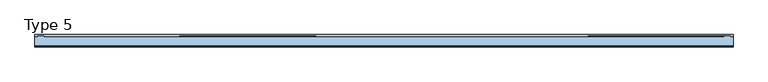
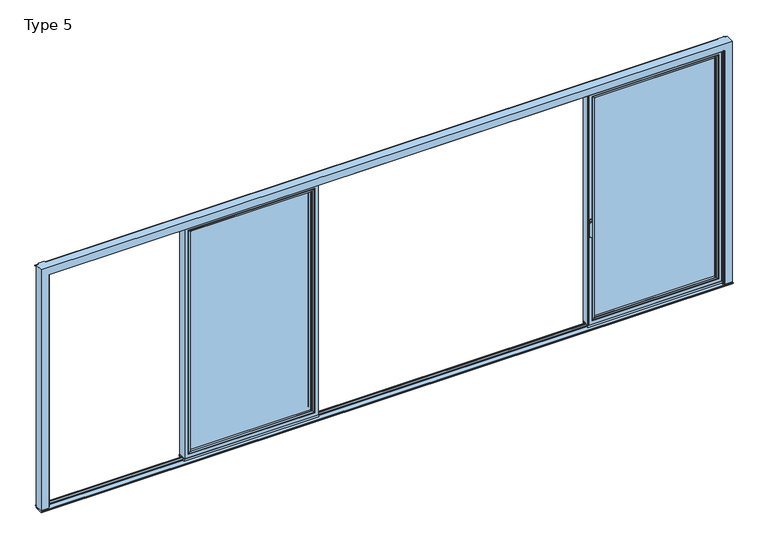
"""IFC4 building model written with IfcOpenShell, lengths in millimetres: window geometry, Type 5."""

from ifc_helpers import new_model, si_unit, point, frame, frame_2d, origin, place, context, project, spatial, polyline, circle_curve, ellipse_curve, trimmed, segment, composite_curve, outline, extrude, source, transform, mapped, element, save
from ifc_brep_helpers import plane_surface, cylinder_surface, extruded_surface, advanced_brep


def type_5_c3f61041(model_context):
    return source(origin(), model_context, "Body", "SolidModel", [
        advanced_brep(
        [(-637.1999604, -60.0, 2324.0), (-637.1999604, -60.0, 37.5), (-637.1999604, 20.0, 37.5), (-637.1999604, 20.0, 2324.0), (-1887.5999604, -60.0, 37.5), (-1887.5999604, 20.0, 37.5), (-1887.5999604, 20.0, 2324.0), (-1842.1003311, 20.0, 82.9996293), (-682.6995897, 20.0, 82.9996293), (-682.6995897, 20.0, 2278.5003707), (-1842.1003311, 20.0, 2278.5003707), (-1887.5999604, -60.0, 2324.0), (-669.1999604, -60.0, 69.5), (-1855.5999604, -60.0, 69.5), (-1855.5999604, -60.0, 2292.0), (-669.1999604, -60.0, 2292.0), (-669.1999604, 3.9999997, 2292.0), (-669.1999604, 3.9999997, 69.5), (-1855.5999604, 3.9999997, 69.5), (-1855.5999604, 3.9999997, 2292.0), (-687.1999723, 3.9999997, 87.500012), (-1837.5999484, 3.9999997, 87.500012), (-1837.5999484, 3.9999997, 2273.999988), (-687.1999723, 3.9999997, 2273.999988), (-687.1999723, 15.4995565, 2273.999988), (-687.1999723, 15.4995565, 87.500012), (-1837.5999484, 15.4995565, 87.500012), (-1837.5999484, 15.4995565, 2273.999988)],
        [
            (0, 1),
            (1, 2),
            (2, 3),
            (3, 0),
            (1, 4),
            (4, 5),
            (5, 2),
            (5, 6),
            (6, 3),
            (7, 8),
            (8, 9),
            (9, 10),
            (10, 7),
            (4, 11),
            (11, 6),
            (0, 11),
            (12, 13),
            (13, 14),
            (14, 15),
            (15, 12),
            (16, 17),
            (17, 12),
            (15, 16),
            (17, 18),
            (18, 13),
            (18, 19),
            (19, 14),
            (16, 19),
            (20, 21),
            (21, 22),
            (22, 23),
            (23, 20),
            (24, 25),
            (25, 20),
            (23, 24),
            (25, 26),
            (26, 21),
            (26, 27),
            (27, 22),
            (7, 26, ellipse_curve(frame((-1842.1003311, 15.4995565, 82.9996293), z_axis=(0.7071067811865475, 0.0, -0.7071067811865475), x_axis=(0.7071067811865476, 0.0, 0.7071067811865474)), 6.3645023, 4.5003827)),
            (25, 8, ellipse_curve(frame((-682.6995897, 15.4995565, 82.9996293), z_axis=(-0.7071067811865475, 0.0, -0.7071067811865475), x_axis=(0.7071067811865476, 0.0, -0.7071067811865474)), 6.3645023, 4.5003827)),
            (24, 9, ellipse_curve(frame((-682.6995897, 15.4995565, 2278.5003707), z_axis=(0.7071067811865475, 0.0, -0.7071067811865475), x_axis=(0.7071067811865474, 0.0, 0.7071067811865476)), 6.3645023, 4.5003827)),
            (10, 27, ellipse_curve(frame((-1842.1003311, 15.4995565, 2278.5003707), z_axis=(-0.7071067811865475, 0.0, -0.7071067811865475), x_axis=(0.7071067811865474, 0.0, -0.7071067811865476)), 6.3645023, 4.5003827)),
            (27, 24),
        ],
        [
            plane_surface(frame((-637.1999604, 20.0, 2324.0), z_axis=(1.0, 0.0, 0.0), x_axis=(0.0, 0.0, -1.0))),
            plane_surface(frame((-637.1999604, 20.0, 37.5), z_axis=(0.0, 0.0, -1.0), x_axis=(-1.0, 0.0, 0.0))),
            plane_surface(frame((-682.6995897, 20.0, 2278.5003707), z_axis=(0.0, 1.0, 0.0), x_axis=(0.0, 0.0, -1.0))),
            plane_surface(frame((-1887.5999604, 20.0, 37.5), z_axis=(-1.0, 0.0, 0.0), x_axis=(0.0, 0.0, 1.0))),
            plane_surface(frame((-637.1999604, -60.0, 2324.0), z_axis=(0.0, -1.0, 0.0), x_axis=(0.0, 0.0, -1.0))),
            plane_surface(frame((-669.1999604, -60.0, 2292.0), z_axis=(-1.0, 0.0, 0.0), x_axis=(0.0, 0.0, -1.0))),
            plane_surface(frame((-669.1999604, -60.0, 69.5), z_axis=(0.0, 0.0, 1.0), x_axis=(-1.0, 0.0, 0.0))),
            plane_surface(frame((-1855.5999604, -60.0, 69.5), z_axis=(1.0, 0.0, 0.0), x_axis=(0.0, 0.0, 1.0))),
            plane_surface(frame((-669.1999604, 3.9999997, 2292.0), z_axis=(0.0, -1.0, 0.0), x_axis=(0.0, 0.0, -1.0))),
            plane_surface(frame((-687.1999723, 3.9999997, 2273.999988), z_axis=(-1.0, 0.0, 0.0), x_axis=(0.0, 0.0, -1.0))),
            plane_surface(frame((-687.1999723, 3.9999997, 87.500012), z_axis=(0.0, 0.0, 1.0), x_axis=(-1.0, 0.0, 0.0))),
            plane_surface(frame((-1837.5999484, 3.9999997, 87.500012), z_axis=(1.0, 0.0, 0.0), x_axis=(0.0, 0.0, 1.0))),
            cylinder_surface(frame((-631.1999604, 15.4995565, 82.9996293), z_axis=(1.0, 0.0, 0.0), x_axis=(0.0, -1.0, 0.0)), 4.5003827),
            cylinder_surface(frame((-682.6995897, 15.4995565, 2330.0), z_axis=(0.0, 0.0, 1.0), x_axis=(0.0, -1.0, 0.0)), 4.5003827),
            cylinder_surface(frame((-1842.1003311, 15.4995565, 31.5), z_axis=(0.0, 0.0, -1.0), x_axis=(0.0, -1.0, 0.0)), 4.5003827),
            plane_surface(frame((-1887.5999604, 20.0, 2324.0), z_axis=(0.0, 0.0, 1.0), x_axis=(1.0, 0.0, 0.0))),
            plane_surface(frame((-1855.5999604, -60.0, 2292.0), z_axis=(0.0, 0.0, -1.0), x_axis=(1.0, 0.0, 0.0))),
            plane_surface(frame((-1837.5999484, 3.9999997, 2273.999988), z_axis=(0.0, 0.0, -1.0), x_axis=(1.0, 0.0, 0.0))),
            cylinder_surface(frame((-1893.5999604, 15.4995565, 2278.5003707), z_axis=(-1.0, 0.0, 0.0), x_axis=(0.0, -1.0, 0.0)), 4.5003827),
        ],
        [
            (0, [[1, 2, 3, 4]]),
            (1, [[5, 6, 7, -2]]),
            (2, [[-7, 8, 9, -3], [10, 11, 12, 13]]),
            (3, [[14, 15, -8, -6]]),
            (4, [[-5, -1, 16, -14], [17, 18, 19, 20]]),
            (5, [[21, 22, -20, 23]]),
            (6, [[24, 25, -17, -22]]),
            (7, [[26, 27, -18, -25]]),
            (8, [[-24, -21, 28, -26], [29, 30, 31, 32]]),
            (9, [[33, 34, -32, 35]]),
            (10, [[36, 37, -29, -34]]),
            (11, [[38, 39, -30, -37]]),
            (12, [[-10, 40, -36, 41]]),
            (13, [[-11, -41, -33, 42]]),
            (14, [[-13, 43, -38, -40]]),
            (15, [[-16, -4, -9, -15]]),
            (16, [[-28, -23, -19, -27]]),
            (17, [[44, -35, -31, -39]]),
            (18, [[-12, -42, -44, -43]]),
        ],
    ),
        extrude(outline(polyline([(-669.2002775, 3.9999997), (-669.2002775, -34.0000003), (-1855.5996432, -34.0000003), (-1855.5996432, 3.9999997), (-669.2002775, 3.9999997)])), frame((0.0, 0.0, 69.5003172), z_axis=(0.0, 0.0, 1.0), x_axis=(1.0, 0.0, 0.0)), (0.0, 0.0, 1.0), 2222.4993657),
        advanced_brep(
        [(-1833.6000705, -54.5552044, 2270.0001101), (-1833.6000705, -54.5552044, 91.4998899), (-1833.6000705, -34.0000003, 91.4998899), (-1833.6000705, -34.0000003, 2270.0001101), (-1855.5996432, -34.0000003, 2291.9996828), (-669.2002775, -34.0000003, 2291.9996828), (-669.2002775, -34.0000003, 69.5003172), (-1855.5996432, -34.0000003, 69.5003172), (-691.1998503, -34.0000003, 2270.0001101), (-691.1998503, -34.0000003, 91.4998899), (-691.1998503, -54.5552044, 91.4998899), (-1834.3096139, -55.8045072, 2270.7096535), (-1834.3096139, -55.8045072, 90.7903465), (-690.4903069, -55.8045072, 90.7903465), (-1849.5997043, -60.0, 2285.9997439), (-1849.5997043, -60.0, 75.5002561), (-675.2002165, -60.0, 75.5002561), (-669.2002775, -60.0, 2291.9996828), (-1855.5996432, -60.0, 2291.9996828), (-1855.5996432, -60.0, 69.5003172), (-669.2002775, -60.0, 69.5003172), (-675.2002165, -60.0, 2285.9997439), (-691.1998503, -54.5552044, 2270.0001101), (-690.4903069, -55.8045072, 2270.7096535)],
        [
            (0, 1),
            (1, 2),
            (2, 3),
            (3, 0),
            (4, 5),
            (5, 6),
            (6, 7),
            (7, 4),
            (8, 3),
            (2, 9),
            (9, 8),
            (1, 10),
            (10, 9),
            (11, 12),
            (12, 1, ellipse_curve(frame((-1835.0546745, -54.5552044, 90.0452859), z_axis=(-0.7071067811865475, 0.0, 0.7071067811865475), x_axis=(0.7071067811865474, 0.0, 0.7071067811865476)), 2.0571207, 1.454604)),
            (0, 11, ellipse_curve(frame((-1835.0546745, -54.5552044, 2271.4547141), z_axis=(-0.7071067811865475, 0.0, -0.7071067811865475), x_axis=(-0.7071067811865474, 0.0, 0.7071067811865476)), 2.0571207, 1.454604)),
            (12, 13),
            (13, 10, ellipse_curve(frame((-689.7452463, -54.5552044, 90.0452859), z_axis=(-0.7071067811865475, 0.0, -0.7071067811865475), x_axis=(-0.7071067811865476, 0.0, 0.7071067811865474)), 2.0571207, 1.454604)),
            (14, 15),
            (15, 12, ellipse_curve(frame((-1849.5357687, -30.2735922, 75.5641917), z_axis=(-0.7071067811865475, 0.0, 0.7071067811865475), x_axis=(0.7071067811865474, 0.0, 0.7071067811865476)), 42.0395863, 29.7264765)),
            (11, 14, ellipse_curve(frame((-1849.5357687, -30.2735922, 2285.9358083), z_axis=(-0.7071067811865475, 0.0, -0.7071067811865475), x_axis=(-0.7071067811865474, 0.0, 0.7071067811865476)), 42.0395863, 29.7264765)),
            (15, 16),
            (16, 13, ellipse_curve(frame((-675.2641521, -30.2735922, 75.5641917), z_axis=(-0.7071067811865475, 0.0, -0.7071067811865475), x_axis=(-0.7071067811865476, 0.0, 0.7071067811865474)), 42.0395863, 29.7264765)),
            (17, 18),
            (18, 19),
            (19, 20),
            (20, 17),
            (14, 21),
            (21, 16),
            (7, 19),
            (18, 4),
            (6, 20),
            (10, 22),
            (22, 8),
            (13, 23),
            (23, 22, ellipse_curve(frame((-689.7452463, -54.5552044, 2271.4547141), z_axis=(0.7071067811865475, 0.0, -0.7071067811865475), x_axis=(-0.7071067811865474, 0.0, -0.7071067811865476)), 2.0571207, 1.454604)),
            (21, 23, ellipse_curve(frame((-675.2641521, -30.2735922, 2285.9358083), z_axis=(0.7071067811865475, 0.0, -0.7071067811865475), x_axis=(-0.7071067811865474, 0.0, -0.7071067811865476)), 42.0395863, 29.7264765)),
            (5, 17),
            (22, 0),
            (23, 11),
        ],
        [
            plane_surface(frame((-1833.6000705, -34.0000003, 2270.0001101), z_axis=(1.0, 0.0, 0.0), x_axis=(0.0, 0.0, -1.0))),
            plane_surface(frame((-669.2002775, -34.0000003, 69.5003172), z_axis=(0.0, 1.0, 0.0), x_axis=(0.0, 0.0, 1.0))),
            plane_surface(frame((-1833.6000705, -34.0000003, 91.4998899), z_axis=(0.0, 0.0, 1.0), x_axis=(1.0, 0.0, 0.0))),
            cylinder_surface(frame((-1835.0546745, -54.5552044, 2273.999988), z_axis=(0.0, 0.0, 1.0), x_axis=(-1.0, 0.0, 0.0)), 1.454604),
            cylinder_surface(frame((-1837.5999484, -54.5552044, 90.0452859), z_axis=(-1.0, 0.0, 0.0), x_axis=(0.0, 0.0, -1.0)), 1.454604),
            cylinder_surface(frame((-1849.5357687, -30.2735922, 2273.999988), z_axis=(0.0, 0.0, 1.0), x_axis=(-1.0, 0.0, 0.0)), 29.7264765),
            cylinder_surface(frame((-1837.5999484, -30.2735922, 75.5641917), z_axis=(-1.0, 0.0, 0.0), x_axis=(0.0, 0.0, -1.0)), 29.7264765),
            plane_surface(frame((-675.2002165, -60.0, 75.5002561), z_axis=(0.0, -1.0, 0.0), x_axis=(0.0, 0.0, 1.0))),
            plane_surface(frame((-1855.5996432, -60.0, 2291.9996828), z_axis=(-1.0, 0.0, 0.0), x_axis=(0.0, 0.0, -1.0))),
            plane_surface(frame((-1855.5996432, -60.0, 69.5003172), z_axis=(0.0, 0.0, -1.0), x_axis=(1.0, 0.0, 0.0))),
            plane_surface(frame((-691.1998503, -34.0000003, 91.4998899), z_axis=(-1.0, 0.0, 0.0), x_axis=(0.0, 0.0, 1.0))),
            cylinder_surface(frame((-689.7452463, -54.5552044, 87.500012), z_axis=(0.0, 0.0, -1.0), x_axis=(1.0, 0.0, 0.0)), 1.454604),
            cylinder_surface(frame((-675.2641521, -30.2735922, 87.500012), z_axis=(0.0, 0.0, -1.0), x_axis=(1.0, 0.0, 0.0)), 29.7264765),
            plane_surface(frame((-669.2002775, -60.0, 69.5003172), z_axis=(1.0, 0.0, 0.0), x_axis=(0.0, 0.0, 1.0))),
            plane_surface(frame((-691.1998503, -34.0000003, 2270.0001101), z_axis=(0.0, 0.0, -1.0), x_axis=(-1.0, 0.0, 0.0))),
            cylinder_surface(frame((-687.1999723, -54.5552044, 2271.4547141), z_axis=(1.0, 0.0, 0.0), x_axis=(0.0, 0.0, 1.0)), 1.454604),
            cylinder_surface(frame((-687.1999723, -30.2735922, 2285.9358083), z_axis=(1.0, 0.0, 0.0), x_axis=(0.0, 0.0, 1.0)), 29.7264765),
            plane_surface(frame((-669.2002775, -60.0, 2291.9996828), z_axis=(0.0, 0.0, 1.0), x_axis=(-1.0, 0.0, 0.0))),
        ],
        [
            (0, [[1, 2, 3, 4]]),
            (1, [[5, 6, 7, 8], [9, -3, 10, 11]]),
            (2, [[12, 13, -10, -2]]),
            (3, [[14, 15, -1, 16]]),
            (4, [[17, 18, -12, -15]]),
            (5, [[19, 20, -14, 21]]),
            (6, [[22, 23, -17, -20]]),
            (7, [[24, 25, 26, 27], [28, 29, -22, -19]]),
            (8, [[-8, 30, -25, 31]]),
            (9, [[-7, 32, -26, -30]]),
            (10, [[33, 34, -11, -13]]),
            (11, [[35, 36, -33, -18]]),
            (12, [[-29, 37, -35, -23]]),
            (13, [[-6, 38, -27, -32]]),
            (14, [[39, -4, -9, -34]]),
            (15, [[40, -16, -39, -36]]),
            (16, [[-28, -21, -40, -37]]),
            (17, [[-5, -31, -24, -38]]),
        ],
    ),
        extrude(outline(composite_curve([segment(polyline([(20.0, 2362.5), (20.0, 2324.0), (10.0, 2324.0), (10.0, 2365.0), (17.5, 2365.0)]), True, "CONTINUOUS"), segment(trimmed(circle_curve(frame_2d((17.5, 2362.5)), 2.5), [point((17.5, 2365.0))], [point((20.0, 2362.5))], False, "CARTESIAN"), True, "CONTINUOUS")], self_intersect=False)), frame((-1893.5999604, 0.0, 0.0), z_axis=(1.0, 0.0, 0.0), x_axis=(0.0, 1.0, 0.0)), (0.0, 0.0, 1.0), 1262.4),
        extrude(outline(polyline([(-1893.5999604, 20.0), (-631.1999604, 20.0), (-631.1999604, 10.0), (-1893.5999604, 10.0), (-1893.5999604, 20.0)])), frame((0.0, 0.0, 15.5), z_axis=(0.0, 0.0, 1.0), x_axis=(1.0, 0.0, 0.0)), (0.0, 0.0, 1.0), 22.0),
        extrude(outline(polyline([(-1893.5999604, -50.0), (-631.1999604, -50.0), (-631.1999604, -60.0), (-1893.5999604, -60.0), (-1893.5999604, -50.0)])), frame((0.0, 0.0, 15.5), z_axis=(0.0, 0.0, 1.0), x_axis=(1.0, 0.0, 0.0)), (0.0, 0.0, 1.0), 22.0),
        advanced_brep(
        [(1927.5886308, -63.5, 1050.0), (1903.6113692, -63.5, 1050.0), (1927.5886308, -66.8965533, 1050.0), (1903.6113692, -66.8965533, 1050.0), (1927.5886308, -74.5, 1050.0), (1903.6113692, -74.5, 1050.0), (1903.6113692, -74.5, 918.6867153), (1927.5886308, -74.5, 918.6867153), (1927.5886308, -66.8965533, 918.6867153), (1903.6113692, -66.8965533, 918.6867153)],
        [
            (0, 1, circle_curve(frame((1915.6, -63.5, 1050.0), z_axis=(0.0, 1.0, 0.0), x_axis=(-1.0, 0.0, 0.0)), 11.9886308)),
            (1, 0, circle_curve(frame((1915.6, -63.5, 1050.0), z_axis=(0.0, 1.0, 0.0), x_axis=(-1.0, 0.0, 0.0)), 11.9886308)),
            (0, 2),
            (2, 3, circle_curve(frame((1915.6, -66.8965533, 1050.0), z_axis=(0.0, 1.0, 0.0), x_axis=(-1.0, 0.0, 0.0)), 11.9886308)),
            (3, 1),
            (3, 2, circle_curve(frame((1915.6, -66.8965533, 1050.0), z_axis=(0.0, 1.0, 0.0), x_axis=(-1.0, 0.0, 0.0)), 11.9886308)),
            (4, 5, circle_curve(frame((1915.6, -74.5, 1050.0), z_axis=(0.0, -1.0, 0.0), x_axis=(-1.0, 0.0, 0.0)), 11.9886308)),
            (5, 6),
            (6, 7, ellipse_curve(frame((1915.6, -74.5, 918.6867153), z_axis=(0.0, -1.0, 0.0), x_axis=(1.0, 0.0, 0.0)), 11.9886308, 7.9050795)),
            (7, 4),
            (2, 8),
            (8, 9, ellipse_curve(frame((1915.6, -66.8965533, 918.6867153), z_axis=(0.0, 1.0, 0.0), x_axis=(1.0, 0.0, 0.0)), 11.9886308, 7.9050795)),
            (9, 3),
            (7, 8),
            (2, 4),
            (6, 9),
            (5, 3),
        ],
        [
            plane_surface(frame((1903.6113692, -63.5, 1050.0), z_axis=(0.0, 1.0, 0.0), x_axis=(0.0, 0.0, -1.0))),
            cylinder_surface(frame((1915.6, -63.5, 1050.0), z_axis=(0.0, -1.0, 0.0), x_axis=(-1.0, 0.0, 0.0)), 11.9886308),
            plane_surface(frame((1927.5886308, -74.5, 928.3382074), z_axis=(0.0, -1.0, 0.0), x_axis=(0.0, 0.0, -1.0))),
            plane_surface(frame((1927.5886308, -66.8965533, 928.3382074), z_axis=(0.0, 1.0, 0.0), x_axis=(0.0, 0.0, 1.0))),
            plane_surface(frame((1927.5886308, -74.5, 1050.0), z_axis=(1.0, 0.0, 0.0), x_axis=(0.0, 1.0, 0.0))),
            extruded_surface(trimmed(ellipse_curve(frame((1915.6, -66.8965533, 918.6867153), z_axis=(0.0, 1.0, 0.0), x_axis=(1.0, 0.0, 0.0)), 11.9886308, 7.9050795), [point((1927.5886308, -66.8965533, 918.6867153))], [point((1903.6113692, -66.8965533, 918.6867153))], True, "CARTESIAN"), (0.0, 7.603446699999992, 0.0), 7.603446699999992),
            plane_surface(frame((1903.6113692, -74.5, 918.6867153), z_axis=(-1.0, 0.0, 0.0), x_axis=(0.0, 1.0, 0.0))),
            cylinder_surface(frame((1915.6, -66.8965533, 1050.0), z_axis=(0.0, -1.0, 0.0), x_axis=(-1.0, 0.0, 0.0)), 11.9886308),
        ],
        [
            (0, [[1, 2]]),
            (1, [[3, 4, 5, -1]]),
            (1, [[-5, 6, -3, -2]]),
            (2, [[7, 8, 9, 10]]),
            (3, [[-4, 11, 12, 13]]),
            (4, [[14, -11, 15, -10]]),
            (5, [[16, -12, -14, -9]]),
            (6, [[17, -13, -16, -8]]),
            (7, [[-15, -6, -17, -7]]),
        ],
    ),
        extrude(outline(composite_curve([segment(trimmed(circle_curve(frame_2d((1068.75, 1915.6)), 14.0), [point((1068.75, 1929.6))], [point((1068.75, 1901.6))], False, "CARTESIAN"), True, "CONTINUOUS"), segment(polyline([(1068.75, 1901.6), (1031.25, 1901.6)]), True, "CONTINUOUS"), segment(trimmed(circle_curve(frame_2d((1031.25, 1915.6)), 14.0), [point((1031.25, 1901.6))], [point((1031.25, 1929.6))], False, "CARTESIAN"), True, "CONTINUOUS"), segment(polyline([(1031.25, 1929.6), (1068.75, 1929.6)]), True, "CONTINUOUS")], self_intersect=False)), frame((0.0, -63.5, 0.0), z_axis=(0.0, 1.0, 0.0), x_axis=(0.0, 0.0, 1.0)), (0.0, 0.0, 1.0), 3.5),
        extrude(outline(polyline([(3156.0, 20.0), (3156.0, -60.0), (3150.0, -60.0), (3150.0, 20.0), (3156.0, 20.0)])), frame((0.0, 0.0, 37.5), z_axis=(0.0, 0.0, 1.0), x_axis=(1.0, 0.0, 0.0)), (0.0, 0.0, 1.0), 2286.5),
        extrude(outline(polyline([(1893.6, 20.0), (1899.6, 20.0), (1899.6, -60.0), (1893.6, -60.0), (1893.6, 20.0)])), frame((0.0, 0.0, 37.5), z_axis=(0.0, 0.0, 1.0), x_axis=(1.0, 0.0, 0.0)), (0.0, 0.0, 1.0), 2286.5),
        advanced_brep(
        [(3150.0, -60.0, 2324.0), (3150.0, -60.0, 37.5), (3150.0, 20.0, 37.5), (3150.0, 20.0, 2324.0), (1899.6, -60.0, 37.5), (1899.6, 20.0, 37.5), (1899.6, 20.0, 2324.0), (1945.0996293, 20.0, 82.9996293), (3104.5003707, 20.0, 82.9996293), (3104.5003707, 20.0, 2278.5003707), (1945.0996293, 20.0, 2278.5003707), (1899.6, -60.0, 2324.0), (3118.0, -60.0, 69.5), (1931.6, -60.0, 69.5), (1931.6, -60.0, 2292.0), (3118.0, -60.0, 2292.0), (3118.0, 3.9999997, 2292.0), (3118.0, 3.9999997, 69.5), (1931.6, 3.9999997, 69.5), (1931.6, 3.9999997, 2292.0), (3099.999988, 3.9999997, 87.500012), (1949.600012, 3.9999997, 87.500012), (1949.600012, 3.9999997, 2273.999988), (3099.999988, 3.9999997, 2273.999988), (3099.999988, 15.4995565, 2273.999988), (3099.999988, 15.4995565, 87.500012), (1949.600012, 15.4995565, 87.500012), (1949.600012, 15.4995565, 2273.999988)],
        [
            (0, 1),
            (1, 2),
            (2, 3),
            (3, 0),
            (1, 4),
            (4, 5),
            (5, 2),
            (5, 6),
            (6, 3),
            (7, 8),
            (8, 9),
            (9, 10),
            (10, 7),
            (4, 11),
            (11, 6),
            (0, 11),
            (12, 13),
            (13, 14),
            (14, 15),
            (15, 12),
            (16, 17),
            (17, 12),
            (15, 16),
            (17, 18),
            (18, 13),
            (18, 19),
            (19, 14),
            (16, 19),
            (20, 21),
            (21, 22),
            (22, 23),
            (23, 20),
            (24, 25),
            (25, 20),
            (23, 24),
            (25, 26),
            (26, 21),
            (26, 27),
            (27, 22),
            (7, 26, ellipse_curve(frame((1945.0996293, 15.4995565, 82.9996293), z_axis=(0.7071067811865475, 0.0, -0.7071067811865475), x_axis=(0.7071067811865476, 0.0, 0.7071067811865474)), 6.3645023, 4.5003827)),
            (25, 8, ellipse_curve(frame((3104.5003707, 15.4995565, 82.9996293), z_axis=(-0.7071067811865475, 0.0, -0.7071067811865475), x_axis=(0.7071067811865476, 0.0, -0.7071067811865474)), 6.3645023, 4.5003827)),
            (24, 9, ellipse_curve(frame((3104.5003707, 15.4995565, 2278.5003707), z_axis=(0.7071067811865475, 0.0, -0.7071067811865475), x_axis=(0.7071067811865474, 0.0, 0.7071067811865476)), 6.3645023, 4.5003827)),
            (10, 27, ellipse_curve(frame((1945.0996293, 15.4995565, 2278.5003707), z_axis=(-0.7071067811865475, 0.0, -0.7071067811865475), x_axis=(0.7071067811865474, 0.0, -0.7071067811865476)), 6.3645023, 4.5003827)),
            (27, 24),
        ],
        [
            plane_surface(frame((3150.0, 20.0, 2324.0), z_axis=(1.0, 0.0, 0.0), x_axis=(0.0, 0.0, -1.0))),
            plane_surface(frame((3150.0, 20.0, 37.5), z_axis=(0.0, 0.0, -1.0), x_axis=(-1.0, 0.0, 0.0))),
            plane_surface(frame((3104.5003707, 20.0, 2278.5003707), z_axis=(0.0, 1.0, 0.0), x_axis=(0.0, 0.0, -1.0))),
            plane_surface(frame((1899.6, 20.0, 37.5), z_axis=(-1.0, 0.0, 0.0), x_axis=(0.0, 0.0, 1.0))),
            plane_surface(frame((3150.0, -60.0, 2324.0), z_axis=(0.0, -1.0, 0.0), x_axis=(0.0, 0.0, -1.0))),
            plane_surface(frame((3118.0, -60.0, 2292.0), z_axis=(-1.0, 0.0, 0.0), x_axis=(0.0, 0.0, -1.0))),
            plane_surface(frame((3118.0, -60.0, 69.5), z_axis=(0.0, 0.0, 1.0), x_axis=(-1.0, 0.0, 0.0))),
            plane_surface(frame((1931.6, -60.0, 69.5), z_axis=(1.0, 0.0, 0.0), x_axis=(0.0, 0.0, 1.0))),
            plane_surface(frame((3118.0, 3.9999997, 2292.0), z_axis=(0.0, -1.0, 0.0), x_axis=(0.0, 0.0, -1.0))),
            plane_surface(frame((3099.999988, 3.9999997, 2273.999988), z_axis=(-1.0, 0.0, 0.0), x_axis=(0.0, 0.0, -1.0))),
            plane_surface(frame((3099.999988, 3.9999997, 87.500012), z_axis=(0.0, 0.0, 1.0), x_axis=(-1.0, 0.0, 0.0))),
            plane_surface(frame((1949.600012, 3.9999997, 87.500012), z_axis=(1.0, 0.0, 0.0), x_axis=(0.0, 0.0, 1.0))),
            cylinder_surface(frame((3156.0, 15.4995565, 82.9996293), z_axis=(1.0, 0.0, 0.0), x_axis=(0.0, -1.0, 0.0)), 4.5003827),
            cylinder_surface(frame((3104.5003707, 15.4995565, 2330.0), z_axis=(0.0, 0.0, 1.0), x_axis=(0.0, -1.0, 0.0)), 4.5003827),
            cylinder_surface(frame((1945.0996293, 15.4995565, 31.5), z_axis=(0.0, 0.0, -1.0), x_axis=(0.0, -1.0, 0.0)), 4.5003827),
            plane_surface(frame((1899.6, 20.0, 2324.0), z_axis=(0.0, 0.0, 1.0), x_axis=(1.0, 0.0, 0.0))),
            plane_surface(frame((1931.6, -60.0, 2292.0), z_axis=(0.0, 0.0, -1.0), x_axis=(1.0, 0.0, 0.0))),
            plane_surface(frame((1949.600012, 3.9999997, 2273.999988), z_axis=(0.0, 0.0, -1.0), x_axis=(1.0, 0.0, 0.0))),
            cylinder_surface(frame((1893.6, 15.4995565, 2278.5003707), z_axis=(-1.0, 0.0, 0.0), x_axis=(0.0, -1.0, 0.0)), 4.5003827),
        ],
        [
            (0, [[1, 2, 3, 4]]),
            (1, [[5, 6, 7, -2]]),
            (2, [[-7, 8, 9, -3], [10, 11, 12, 13]]),
            (3, [[14, 15, -8, -6]]),
            (4, [[-5, -1, 16, -14], [17, 18, 19, 20]]),
            (5, [[21, 22, -20, 23]]),
            (6, [[24, 25, -17, -22]]),
            (7, [[26, 27, -18, -25]]),
            (8, [[-24, -21, 28, -26], [29, 30, 31, 32]]),
            (9, [[33, 34, -32, 35]]),
            (10, [[36, 37, -29, -34]]),
            (11, [[38, 39, -30, -37]]),
            (12, [[-10, 40, -36, 41]]),
            (13, [[-11, -41, -33, 42]]),
            (14, [[-13, 43, -38, -40]]),
            (15, [[-16, -4, -9, -15]]),
            (16, [[-28, -23, -19, -27]]),
            (17, [[44, -35, -31, -39]]),
            (18, [[-12, -42, -44, -43]]),
        ],
    ),
        extrude(outline(polyline([(3117.9996828, 3.9999997), (3117.9996828, -34.0000003), (1931.6003172, -34.0000003), (1931.6003172, 3.9999997), (3117.9996828, 3.9999997)])), frame((0.0, 0.0, 69.5003172), z_axis=(0.0, 0.0, 1.0), x_axis=(1.0, 0.0, 0.0)), (0.0, 0.0, 1.0), 2222.4993657),
        advanced_brep(
        [(1953.5998899, -54.5552044, 2270.0001101), (1953.5998899, -54.5552044, 91.4998899), (1953.5998899, -34.0000003, 91.4998899), (1953.5998899, -34.0000003, 2270.0001101), (1931.6003172, -34.0000003, 2291.9996828), (3117.9996828, -34.0000003, 2291.9996828), (3117.9996828, -34.0000003, 69.5003172), (1931.6003172, -34.0000003, 69.5003172), (3096.0001101, -34.0000003, 2270.0001101), (3096.0001101, -34.0000003, 91.4998899), (3096.0001101, -54.5552044, 91.4998899), (1952.8903465, -55.8045072, 2270.7096535), (1952.8903465, -55.8045072, 90.7903465), (3096.7096535, -55.8045072, 90.7903465), (1937.6002561, -60.0, 2285.9997439), (1937.6002561, -60.0, 75.5002561), (3111.9997439, -60.0, 75.5002561), (3117.9996828, -60.0, 2291.9996828), (1931.6003172, -60.0, 2291.9996828), (1931.6003172, -60.0, 69.5003172), (3117.9996828, -60.0, 69.5003172), (3111.9997439, -60.0, 2285.9997439), (3096.0001101, -54.5552044, 2270.0001101), (3096.7096535, -55.8045072, 2270.7096535)],
        [
            (0, 1),
            (1, 2),
            (2, 3),
            (3, 0),
            (4, 5),
            (5, 6),
            (6, 7),
            (7, 4),
            (8, 3),
            (2, 9),
            (9, 8),
            (1, 10),
            (10, 9),
            (11, 12),
            (12, 1, ellipse_curve(frame((1952.1452859, -54.5552044, 90.0452859), z_axis=(-0.7071067811865475, 0.0, 0.7071067811865475), x_axis=(0.7071067811865474, 0.0, 0.7071067811865476)), 2.0571207, 1.454604)),
            (0, 11, ellipse_curve(frame((1952.1452859, -54.5552044, 2271.4547141), z_axis=(-0.7071067811865475, 0.0, -0.7071067811865475), x_axis=(-0.7071067811865474, 0.0, 0.7071067811865476)), 2.0571207, 1.454604)),
            (12, 13),
            (13, 10, ellipse_curve(frame((3097.4547141, -54.5552044, 90.0452859), z_axis=(-0.7071067811865475, 0.0, -0.7071067811865475), x_axis=(-0.7071067811865476, 0.0, 0.7071067811865474)), 2.0571207, 1.454604)),
            (14, 15),
            (15, 12, ellipse_curve(frame((1937.6641917, -30.2735922, 75.5641917), z_axis=(-0.7071067811865475, 0.0, 0.7071067811865475), x_axis=(0.7071067811865474, 0.0, 0.7071067811865476)), 42.0395863, 29.7264765)),
            (11, 14, ellipse_curve(frame((1937.6641917, -30.2735922, 2285.9358083), z_axis=(-0.7071067811865475, 0.0, -0.7071067811865475), x_axis=(-0.7071067811865474, 0.0, 0.7071067811865476)), 42.0395863, 29.7264765)),
            (15, 16),
            (16, 13, ellipse_curve(frame((3111.9358083, -30.2735922, 75.5641917), z_axis=(-0.7071067811865475, 0.0, -0.7071067811865475), x_axis=(-0.7071067811865476, 0.0, 0.7071067811865474)), 42.0395863, 29.7264765)),
            (17, 18),
            (18, 19),
            (19, 20),
            (20, 17),
            (14, 21),
            (21, 16),
            (7, 19),
            (18, 4),
            (6, 20),
            (10, 22),
            (22, 8),
            (13, 23),
            (23, 22, ellipse_curve(frame((3097.4547141, -54.5552044, 2271.4547141), z_axis=(0.7071067811865475, 0.0, -0.7071067811865475), x_axis=(-0.7071067811865474, 0.0, -0.7071067811865476)), 2.0571207, 1.454604)),
            (21, 23, ellipse_curve(frame((3111.9358083, -30.2735922, 2285.9358083), z_axis=(0.7071067811865475, 0.0, -0.7071067811865475), x_axis=(-0.7071067811865474, 0.0, -0.7071067811865476)), 42.0395863, 29.7264765)),
            (5, 17),
            (22, 0),
            (23, 11),
        ],
        [
            plane_surface(frame((1953.5998899, -34.0000003, 2270.0001101), z_axis=(1.0, 0.0, 0.0), x_axis=(0.0, 0.0, -1.0))),
            plane_surface(frame((3117.9996828, -34.0000003, 69.5003172), z_axis=(0.0, 1.0, 0.0), x_axis=(0.0, 0.0, 1.0))),
            plane_surface(frame((1953.5998899, -34.0000003, 91.4998899), z_axis=(0.0, 0.0, 1.0), x_axis=(1.0, 0.0, 0.0))),
            cylinder_surface(frame((1952.1452859, -54.5552044, 2273.999988), z_axis=(0.0, 0.0, 1.0), x_axis=(-1.0, 0.0, 0.0)), 1.454604),
            cylinder_surface(frame((1949.600012, -54.5552044, 90.0452859), z_axis=(-1.0, 0.0, 0.0), x_axis=(0.0, 0.0, -1.0)), 1.454604),
            cylinder_surface(frame((1937.6641917, -30.2735922, 2273.999988), z_axis=(0.0, 0.0, 1.0), x_axis=(-1.0, 0.0, 0.0)), 29.7264765),
            cylinder_surface(frame((1949.600012, -30.2735922, 75.5641917), z_axis=(-1.0, 0.0, 0.0), x_axis=(0.0, 0.0, -1.0)), 29.7264765),
            plane_surface(frame((3111.9997439, -60.0, 75.5002561), z_axis=(0.0, -1.0, 0.0), x_axis=(0.0, 0.0, 1.0))),
            plane_surface(frame((1931.6003172, -60.0, 2291.9996828), z_axis=(-1.0, 0.0, 0.0), x_axis=(0.0, 0.0, -1.0))),
            plane_surface(frame((1931.6003172, -60.0, 69.5003172), z_axis=(0.0, 0.0, -1.0), x_axis=(1.0, 0.0, 0.0))),
            plane_surface(frame((3096.0001101, -34.0000003, 91.4998899), z_axis=(-1.0, 0.0, 0.0), x_axis=(0.0, 0.0, 1.0))),
            cylinder_surface(frame((3097.4547141, -54.5552044, 87.500012), z_axis=(0.0, 0.0, -1.0), x_axis=(1.0, 0.0, 0.0)), 1.454604),
            cylinder_surface(frame((3111.9358083, -30.2735922, 87.500012), z_axis=(0.0, 0.0, -1.0), x_axis=(1.0, 0.0, 0.0)), 29.7264765),
            plane_surface(frame((3117.9996828, -60.0, 69.5003172), z_axis=(1.0, 0.0, 0.0), x_axis=(0.0, 0.0, 1.0))),
            plane_surface(frame((3096.0001101, -34.0000003, 2270.0001101), z_axis=(0.0, 0.0, -1.0), x_axis=(-1.0, 0.0, 0.0))),
            cylinder_surface(frame((3099.999988, -54.5552044, 2271.4547141), z_axis=(1.0, 0.0, 0.0), x_axis=(0.0, 0.0, 1.0)), 1.454604),
            cylinder_surface(frame((3099.999988, -30.2735922, 2285.9358083), z_axis=(1.0, 0.0, 0.0), x_axis=(0.0, 0.0, 1.0)), 29.7264765),
            plane_surface(frame((3117.9996828, -60.0, 2291.9996828), z_axis=(0.0, 0.0, 1.0), x_axis=(-1.0, 0.0, 0.0))),
        ],
        [
            (0, [[1, 2, 3, 4]]),
            (1, [[5, 6, 7, 8], [9, -3, 10, 11]]),
            (2, [[12, 13, -10, -2]]),
            (3, [[14, 15, -1, 16]]),
            (4, [[17, 18, -12, -15]]),
            (5, [[19, 20, -14, 21]]),
            (6, [[22, 23, -17, -20]]),
            (7, [[24, 25, 26, 27], [28, 29, -22, -19]]),
            (8, [[-8, 30, -25, 31]]),
            (9, [[-7, 32, -26, -30]]),
            (10, [[33, 34, -11, -13]]),
            (11, [[35, 36, -33, -18]]),
            (12, [[-29, 37, -35, -23]]),
            (13, [[-6, 38, -27, -32]]),
            (14, [[39, -4, -9, -34]]),
            (15, [[40, -16, -39, -36]]),
            (16, [[-28, -21, -40, -37]]),
            (17, [[-5, -31, -24, -38]]),
        ],
    ),
        extrude(outline(composite_curve([segment(polyline([(20.0, 2362.5), (20.0, 2324.0), (10.0, 2324.0), (10.0, 2365.0), (17.5, 2365.0)]), True, "CONTINUOUS"), segment(trimmed(circle_curve(frame_2d((17.5, 2362.5)), 2.5), [point((17.5, 2365.0))], [point((20.0, 2362.5))], False, "CARTESIAN"), True, "CONTINUOUS")], self_intersect=False)), frame((1893.6, 0.0, 0.0), z_axis=(1.0, 0.0, 0.0), x_axis=(0.0, 1.0, 0.0)), (0.0, 0.0, 1.0), 1262.4),
        extrude(outline(polyline([(1893.6, 20.0), (3156.0, 20.0), (3156.0, 10.0), (1893.6, 10.0), (1893.6, 20.0)])), frame((0.0, 0.0, 15.5), z_axis=(0.0, 0.0, 1.0), x_axis=(1.0, 0.0, 0.0)), (0.0, 0.0, 1.0), 22.0),
        extrude(outline(polyline([(1893.6, -50.0), (3156.0, -50.0), (3156.0, -60.0), (1893.6, -60.0), (1893.6, -50.0)])), frame((0.0, 0.0, 15.5), z_axis=(0.0, 0.0, 1.0), x_axis=(1.0, 0.0, 0.0)), (0.0, 0.0, 1.0), 22.0),
        advanced_brep(
        [(3156.0, -60.0, 0.0), (3167.0, -60.0, 0.0), (3167.0, -60.0, 2317.0), (3156.0, -60.0, 2317.0), (-3167.0, -60.0, 0.0), (-3155.9999505, -60.0, 0.0), (-3155.9999505, -60.0, 2317.0), (-3167.0, -60.0, 2317.0), (-3155.9999505, 20.0, 0.0), (-3155.9999505, 20.0, 2390.0), (-3155.9999505, 9.9999847, 2390.0), (-3155.9999505, 9.9999847, 2354.3999924), (-3155.9999505, 0.1999847, 2354.3999924), (-3155.9999505, 0.1999847, 2365.9997864), (-3155.9999505, -22.3000153, 2365.9997864), (-3155.9999505, -22.3000153, 2354.3999924), (-3155.9999505, -31.8999908, 2354.3999924), (-3155.9999505, -31.8999908, 2359.5), (-3155.9999505, -60.0, 2359.5), (3156.0, 20.0, 0.0), (3156.0, -60.0000153, 2359.5), (3156.0, -31.8999908, 2359.5), (3156.0, -31.8999908, 2354.3999924), (3156.0, -22.3000153, 2354.3999924), (3156.0, -22.3000153, 2365.9997864), (3156.0, 0.1999847, 2365.9997864), (3156.0, 0.1999847, 2354.3999924), (3156.0, 9.9999847, 2354.3999924), (3156.0, 9.9999847, 2390.0), (3156.0, 20.0, 2390.0), (-3215.0, 10.0, 2390.0), (-3215.0, 17.5, 2390.0), (-3215.0, 17.5, 0.0), (-3215.0, 10.0, 0.0), (3215.0, 17.5, 2390.0), (3215.0, 10.0, 2390.0), (3215.0, 10.0, 0.0), (3215.0, 17.5, 0.0), (-3212.5, 20.0, 2390.0), (-3212.5, 20.0, 0.0), (3212.5, 20.0, 2390.0), (3212.5, 20.0, 0.0), (-3167.0, -67.5, 0.0), (-3169.5, -70.0, 0.0), (-3240.0, -70.0, 0.0), (-3240.0, 9.9999847, 0.0), (-3240.0, 10.0, 2390.0), (3240.0, 10.0, 2390.0), (3240.0, 10.0, 0.0), (3240.0, -70.0, 0.0), (3169.5, -70.0, 0.0), (3167.0, -67.5, 0.0), (-3240.0, -70.0, 2390.0), (3240.0, -70.0, 2390.0), (-3169.5, -70.0, 2319.5), (3169.5, -70.0, 2319.5), (3167.0, -67.5, 2317.0), (-3167.0, -67.5, 2317.0)],
        [
            (0, 1),
            (1, 2),
            (2, 3),
            (3, 0),
            (4, 5),
            (5, 6),
            (6, 7),
            (7, 4),
            (5, 8),
            (8, 9),
            (9, 10),
            (10, 11),
            (11, 12),
            (12, 13),
            (13, 14),
            (14, 15),
            (15, 16),
            (16, 17),
            (17, 18),
            (18, 6),
            (19, 0),
            (3, 20),
            (20, 21),
            (21, 22),
            (22, 23),
            (23, 24),
            (24, 25),
            (25, 26),
            (26, 27),
            (27, 28),
            (28, 29),
            (29, 19),
            (30, 31),
            (31, 32),
            (32, 33),
            (33, 30),
            (34, 35),
            (35, 36),
            (36, 37),
            (37, 34),
            (31, 38, circle_curve(frame((-3212.5, 17.5, 2390.0), z_axis=(0.0, 0.0, -1.0), x_axis=(0.0, -1.0, 0.0)), 2.5)),
            (38, 39),
            (39, 32, circle_curve(frame((-3212.5, 17.5, 0.0), z_axis=(0.0, 0.0, 1.0), x_axis=(0.0, -1.0, 0.0)), 2.5)),
            (38, 9),
            (8, 39),
            (29, 40),
            (40, 41),
            (41, 19),
            (40, 34, circle_curve(frame((3212.5, 17.5, 2390.0), z_axis=(0.0, 0.0, -1.0), x_axis=(0.0, -1.0, 0.0)), 2.5)),
            (37, 41, circle_curve(frame((3212.5, 17.5, 0.0), z_axis=(0.0, 0.0, 1.0), x_axis=(0.0, -1.0, 0.0)), 2.5)),
            (4, 42),
            (42, 43, circle_curve(frame((-3169.5, -67.5, 0.0), z_axis=(0.0, 0.0, -1.0), x_axis=(0.0, -1.0, 0.0)), 2.5)),
            (43, 44),
            (44, 45),
            (45, 33),
            (46, 30),
            (45, 46),
            (35, 47),
            (47, 48),
            (48, 36),
            (10, 28),
            (27, 11),
            (48, 49),
            (49, 50),
            (50, 51, circle_curve(frame((3169.5, -67.5, 0.0), z_axis=(0.0, 0.0, -1.0), x_axis=(0.0, -1.0, 0.0)), 2.5)),
            (51, 1),
            (46, 52),
            (52, 53),
            (53, 47),
            (49, 53),
            (52, 44),
            (43, 54),
            (54, 55),
            (55, 50),
            (55, 56, ellipse_curve(frame((3169.5, -67.5, 2319.5), z_axis=(0.7071067811865475, 0.0, -0.7071067811865475), x_axis=(-0.7071067811865474, 0.0, -0.7071067811865476)), 3.5355339, 2.5)),
            (56, 51),
            (56, 2),
            (3, 6),
            (18, 20),
            (21, 17),
            (16, 22),
            (23, 15),
            (14, 24),
            (25, 13),
            (12, 26),
            (7, 57),
            (57, 42),
            (57, 54, ellipse_curve(frame((-3169.5, -67.5, 2319.5), z_axis=(-0.7071067811865475, 0.0, -0.7071067811865475), x_axis=(-0.7071067811865474, 0.0, 0.7071067811865476)), 3.5355339, 2.5)),
            (57, 56),
        ],
        [
            plane_surface(frame((3156.0, -60.0, 2390.0), z_axis=(0.0, -1.0, 0.0), x_axis=(0.0, 0.0, -1.0))),
            plane_surface(frame((-3215.9997864, -60.0, 2390.0), z_axis=(0.0, -1.0, 0.0), x_axis=(0.0, 0.0, -1.0))),
            plane_surface(frame((-3155.9999505, -60.0, 2390.0), z_axis=(1.0, 0.0, 0.0), x_axis=(0.0, 0.0, -1.0))),
            plane_surface(frame((3156.0, 20.0, 2390.0), z_axis=(-1.0, 0.0, 0.0), x_axis=(0.0, 0.0, -1.0))),
            plane_surface(frame((-3215.0, 17.5, 2390.0), z_axis=(-1.0, 0.0, 0.0), x_axis=(0.0, 0.0, -1.0))),
            plane_surface(frame((3215.0, 10.0, 2390.0), z_axis=(1.0, 0.0, 0.0), x_axis=(0.0, 0.0, -1.0))),
            cylinder_surface(frame((-3212.5, 17.5, 2390.0), z_axis=(0.0, 0.0, 1.0), x_axis=(0.0, -1.0, 0.0)), 2.5),
            plane_surface(frame((-3155.9999505, 20.0, 2390.0), z_axis=(0.0, 1.0, 0.0), x_axis=(0.0, 0.0, -1.0))),
            plane_surface(frame((3212.5, 20.0, 2390.0), z_axis=(0.0, 1.0, 0.0), x_axis=(0.0, 0.0, -1.0))),
            cylinder_surface(frame((3212.5, 17.5, 2390.0), z_axis=(0.0, 0.0, 1.0), x_axis=(0.0, -1.0, 0.0)), 2.5),
            plane_surface(frame((-3240.0, -70.0, 0.0), z_axis=(0.0, 0.0, -1.0), x_axis=(0.0, -1.0, 0.0))),
            plane_surface(frame((-3215.0, 10.0, 2390.0), z_axis=(0.0, 1.0, 0.0), x_axis=(0.0, 0.0, -1.0))),
            plane_surface(frame((3240.0, -70.0, 0.0), z_axis=(0.0, 0.0, -1.0), x_axis=(0.0, -1.0, 0.0))),
            plane_surface(frame((-3240.0, -70.0, 2390.0), z_axis=(0.0, 0.0, 1.0), x_axis=(0.0, -1.0, 0.0))),
            plane_surface(frame((3240.0, -70.0, 0.0), z_axis=(0.0, -1.0, 0.0), x_axis=(0.0, 0.0, 1.0))),
            cylinder_surface(frame((3169.5, -67.5, 0.0), z_axis=(0.0, 0.0, -1.0), x_axis=(0.0, -1.0, 0.0)), 2.5),
            plane_surface(frame((3167.0, -67.5, 0.0), z_axis=(-1.0, 0.0, 0.0), x_axis=(0.0, 0.0, 1.0))),
            plane_surface(frame((3167.0, -60.0000153, 0.0), z_axis=(0.0, 1.0, 0.0), x_axis=(0.0, 0.0, 1.0))),
            plane_surface(frame((3209.5, -31.8999908, 0.0), z_axis=(0.0, -1.0, 0.0), x_axis=(0.0, 0.0, 1.0))),
            plane_surface(frame((3204.3999924, -22.3000153, 0.0), z_axis=(0.0, 1.0, 0.0), x_axis=(0.0, 0.0, 1.0))),
            plane_surface(frame((3215.9997864, 0.1999847, 0.0), z_axis=(0.0, -1.0, 0.0), x_axis=(0.0, 0.0, 1.0))),
            plane_surface(frame((3240.0, 9.9999847, 0.0), z_axis=(1.0, 0.0, 0.0), x_axis=(0.0, 0.0, 1.0))),
            plane_surface(frame((-3240.0, 9.9999847, 2390.0), z_axis=(-1.0, 0.0, 0.0), x_axis=(0.0, 0.0, -1.0))),
            plane_surface(frame((-3167.0, -67.5, 2317.0), z_axis=(1.0, 0.0, 0.0), x_axis=(0.0, 0.0, -1.0))),
            cylinder_surface(frame((-3169.5, -67.5, 2390.0), z_axis=(0.0, 0.0, 1.0), x_axis=(0.0, -1.0, 0.0)), 2.5),
            cylinder_surface(frame((3240.0, -67.5, 2319.5), z_axis=(1.0, 0.0, 0.0), x_axis=(0.0, -1.0, 0.0)), 2.5),
            plane_surface(frame((3167.0, -67.5, 2317.0), z_axis=(0.0, 0.0, -1.0), x_axis=(-1.0, 0.0, 0.0))),
            plane_surface(frame((3209.5, -60.0000153, 2359.5), z_axis=(0.0, 0.0, -1.0), x_axis=(-1.0, 0.0, 0.0))),
            plane_surface(frame((3204.3999924, -31.8999908, 2354.3999924), z_axis=(0.0, 0.0, -1.0), x_axis=(-1.0, 0.0, 0.0))),
            plane_surface(frame((3215.9997864, -22.3000153, 2365.9997864), z_axis=(0.0, 0.0, -1.0), x_axis=(-1.0, 0.0, 0.0))),
            plane_surface(frame((3204.3999924, 0.1999847, 2354.3999924), z_axis=(0.0, 0.0, -1.0), x_axis=(-1.0, 0.0, 0.0))),
        ],
        [
            (0, [[1, 2, 3, 4]]),
            (1, [[5, 6, 7, 8]]),
            (2, [[9, 10, 11, 12, 13, 14, 15, 16, 17, 18, 19, 20, -6]]),
            (3, [[21, -4, 22, 23, 24, 25, 26, 27, 28, 29, 30, 31, 32]]),
            (4, [[33, 34, 35, 36]]),
            (5, [[37, 38, 39, 40]]),
            (6, [[41, 42, 43, -34]]),
            (7, [[44, -10, 45, -42]]),
            (8, [[46, 47, 48, -32]]),
            (9, [[49, -40, 50, -47]]),
            (10, [[-43, -45, -9, -5, 51, 52, 53, 54, 55, -35]]),
            (11, [[56, -36, -55, 57]]),
            (11, [[58, 59, 60, -38]]),
            (11, [[61, -30, 62, -12]]),
            (12, [[-39, -60, 63, 64, 65, 66, -1, -21, -48, -50]]),
            (13, [[-33, -56, 67, 68, 69, -58, -37, -49, -46, -31, -61, -11, -44, -41]]),
            (14, [[-64, 70, -68, 71, -53, 72, 73, 74]]),
            (15, [[-65, -74, 75, 76]]),
            (16, [[-66, -76, 77, -2]]),
            (17, [[78, -20, 79, -22]]),
            (18, [[80, -18, 81, -24]]),
            (19, [[82, -16, 83, -26]]),
            (20, [[84, -14, 85, -28]]),
            (21, [[-63, -59, -69, -70]]),
            (22, [[-54, -71, -67, -57]]),
            (23, [[-51, -8, 86, 87]]),
            (24, [[-52, -87, 88, -72]]),
            (25, [[-73, -88, 89, -75]]),
            (26, [[-77, -89, -86, -7, -78, -3]]),
            (27, [[-79, -19, -80, -23]]),
            (28, [[-82, -25, -81, -17]]),
            (29, [[-84, -27, -83, -15]]),
            (30, [[-62, -29, -85, -13]]),
        ],
    ),
        extrude(outline(polyline([(30.2279949, 2375.5006958), (30.2279949, 2371.1777082), (9.9999847, 2371.1777082), (9.9999847, 2383.6755792), (30.2279949, 2375.5006958)])), frame((-3240.0, 0.0, 0.0), z_axis=(1.0, 0.0, 0.0), x_axis=(0.0, 1.0, 0.0)), (0.0, 0.0, 1.0), 6480.0),
        extrude(outline(polyline([(-22.3000481, 7.0999832), (-22.3000481, -9.9), (0.1999756, -9.9), (0.1999756, 7.0999832), (7.600061, 7.0999832), (7.600061, 3.5), (20.7378222, 3.5), (25.0, 1.0392305), (25.0, 0.0), (10.0, 0.0), (10.0, -18.0), (-70.0, -18.0), (-70.0, 0.0), (-85.0, 0.0), (-85.0, 1.0392305), (-80.7378222, 3.5), (-29.7001335, 3.5), (-29.7001335, 7.0999832), (-22.3000481, 7.0999832)])), frame((-3240.0, 0.0, 0.0), z_axis=(1.0, 0.0, 0.0), x_axis=(0.0, 1.0, 0.0)), (0.0, 0.0, 1.0), 6480.0),
    ])


if __name__ == "__main__":
    model = new_model("IFC4")
    model_context = context("Model", 3, world=origin())
    ifc_project = project(units=[si_unit("LENGTHUNIT", "METRE", prefix="MILLI")], contexts=[model_context])
    site = spatial("IfcSite", under=ifc_project)
    building = spatial("IfcBuilding", under=site)
    placement = place(None, origin())
    type_5_shape = type_5_c3f61041(model_context)
    element("IfcWindow", 1, ObjectType="Type 5", at=placement, inside=building, context=model_context, shape_type="MappedRepresentation", body=[
        mapped(type_5_shape, transform((0.0, 0.0, 0.0), x_axis=(1.0, 0.0, 0.0), y_axis=(0.0, 1.0, 0.0), z_axis=(0.0, 0.0, 1.0))),
    ])
    save(model, "model.ifc")
